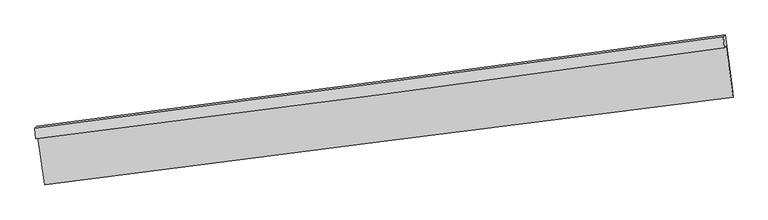
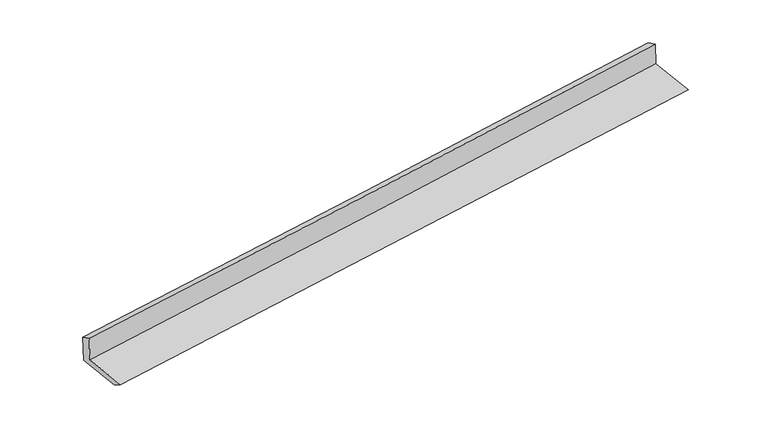
"""IFC4 building model written with IfcOpenShell, lengths in millimetres: proxy geometry."""

from ifc_helpers import new_model, si_unit, frame, origin, place, context, project, spatial, source, transform, mapped, element, save
from ifc_brep_helpers import plane_surface, spline_curve, spline_surface, advanced_brep


def generic_models_a71d73c1(model_context):
    return source(origin(), model_context, "Body", "AdvancedBrep", [
        advanced_brep(
        [(-4754.5056828, -2132.4127979, 1900.9017705), (-4728.2560607, -2106.3820412, 1521.6091977), (4687.6678355, -867.2734569, 2288.4369613), (4664.1734292, -890.5719704, 2627.9181835), (-4768.4846036, -1989.2293503, 1832.7231411), (4648.8140553, -737.501438, 2560.3225656), (-4740.9973195, -1961.9712512, 1435.547036), (4674.9237315, -711.6094604, 2183.0521358), (-4647.3036168, -2633.0245484, 1395.9770525), (4775.5196996, -1432.098182, 2140.5670949), (-4636.9014653, -2760.6821771, 1483.0270975), (4784.5442431, -1561.1219323, 2247.5228152)],
        [
            (0, 1),
            (1, 2, spline_curve(3, [(-4728.2560607, -2106.3820412, 1521.6091977), (-3161.773459492, -1910.110934973, 1645.188638721), (-1596.091580714, -1709.022424959, 1770.694242951), (1542.558839368, -1296.041109115, 2026.281555135), (3115.518259371, -1084.093423988, 2156.385205413), (4687.6678355, -867.2734569, 2288.4369613)], [4, 2, 4], [0.0, 15.585714902623895, 31.2599525135806])),
            (2, 3),
            (3, 0, spline_curve(3, [(4664.1734292, -890.5719704, 2627.9181835), (3091.565958433, -1107.846014404, 2502.482756332), (1518.147335736, -1320.249073212, 2379.014331239), (-1621.421504876, -1734.14115194, 2136.697681656), (-3187.562586059, -1935.685035422, 2017.827303045), (-4754.5056828, -2132.4127979, 1900.9017705)], [4, 2, 4], [0.0, 15.674237610956705, 31.2599525135806])),
            (4, 0),
            (3, 5),
            (5, 4, spline_curve(3, [(4648.8140553, -737.501438, 2560.3225656), (3075.97454686, -953.113581984, 2434.985135686), (1502.555924449, -1165.516641113, 2311.516710221), (-1636.550151658, -1582.723133401, 2069.004620326), (-3202.231081628, -1787.562711491, 1949.939903883), (-4768.4846036, -1989.2293503, 1832.7231411)], [4, 2, 4], [0.0, 15.674185818702213, 31.259849221576474])),
            (6, 4),
            (5, 7),
            (7, 6, spline_curve(3, [(4674.9237315, -711.6094604, 2183.0521358), (3102.77367756, -926.537899125, 2047.752473126), (1529.814257411, -1138.485583948, 1917.648822668), (-1608.835209456, -1555.239274422, 1668.538981355), (-3174.516139721, -1760.078852948, 1549.474265141), (-4740.9973195, -1961.9712512, 1435.547036)], [4, 2, 4], [0.0, 15.674165213545626, 31.25980812763414])),
            (8, 6),
            (7, 9),
            (9, 8, spline_curve(3, [(4775.5196996, -1432.098182, 2140.5670949), (3200.838170566, -1628.895684733, 2006.336559176), (1626.038146628, -1827.660590269, 1877.010257058), (-1514.904293973, -2227.991538828, 1628.868814629), (-3081.045375222, -2429.535422034, 1509.998435849), (-4647.3036168, -2633.0245484, 1395.9770525)], [4, 2, 4], [0.0, 15.6743265874589, 31.260129964076278])),
            (10, 8),
            (9, 11),
            (11, 10, spline_curve(3, [(4784.5442431, -1561.1219323, 2247.5228152), (3209.631154605, -1758.149063637, 2116.638183307), (1634.831130624, -1956.91396937, 1987.311881065), (-1505.649498539, -2356.786957192, 1732.497527737), (-3071.331377275, -2557.875467183, 1606.991923357), (-4636.9014653, -2760.6821771, 1483.0270975)], [4, 2, 4], [0.0, 15.674556798449116, 31.260589085904137])),
            (1, 10),
            (11, 2),
        ],
        [
            spline_surface(3, 3, [[(-4754.5056828, -2132.4127979, 1900.9017705), (-3187.562585977, -1935.685035349, 2017.827302917), (-1621.421504742, -1734.141151865, 2136.697681853), (1518.147335601, -1320.249073288, 2379.01433104), (3091.565958363, -1107.846014291, 2502.48275641), (4664.1734292, -890.5719704, 2627.9181835)], [(-4745.755808742, -2123.735878994, 1774.470912928), (-3178.966210479, -1927.160335155, 1893.614414934), (-1612.978196791, -1725.768242964, 2014.696535567), (1526.284503547, -1312.179751842, 2261.436739094), (3099.550058761, -1099.928484138, 2387.116906162), (4672.004897973, -882.805799252, 2514.75777611)], [(-4737.005934758, -2115.058960106, 1648.040055272), (-3170.369835055, -1918.635634978, 1769.401526868), (-1604.534888788, -1717.395334043, 1892.695389225), (1534.421671546, -1304.110430376, 2143.859147093), (3107.53415914, -1092.010953928, 2271.751055884), (4679.836366727, -875.039628048, 2401.59736869)], [(-4728.2560607, -2106.3820412, 1521.6091977), (-3161.773459557, -1910.110934784, 1645.188638884), (-1596.091580837, -1709.022425142, 1770.694242939), (1542.558839491, -1296.04110893, 2026.281555147), (3115.518259538, -1084.093423775, 2156.385205635), (4687.6678355, -867.2734569, 2288.4369613)]], [4, 4], [4, 2, 4], [0.0, 1.1844922760044982], [0.0, 15.585714902623895, 31.2599525135806]),
            spline_surface(3, 3, [[(-4768.4846036, -1989.2293503, 1832.7231411), (-3202.231081782, -1787.562711737, 1949.939904099), (-1636.550151496, -1582.723133356, 2069.004620207), (1502.555924287, -1165.516641158, 2311.516710341), (3075.974546948, -953.113582161, 2434.985135711), (4648.8140553, -737.501438, 2560.3225656)], [(-4763.824963346, -2036.957166147, 1855.449350883), (-3197.341583194, -1836.936819588, 1972.569037021), (-1631.507269232, -1633.195806191, 2091.568974074), (1507.753061404, -1217.094118534, 2334.015917227), (3081.171684066, -1004.691059536, 2457.484342597), (4653.933846579, -788.524948799, 2582.854438219)], [(-4759.165323054, -2084.684982053, 1878.175560717), (-3192.452084566, -1886.310927497, 1995.198169994), (-1626.464387006, -1683.66847903, 2114.133327985), (1512.950198484, -1268.671595913, 2356.515124155), (3086.368821245, -1056.268536915, 2479.983549525), (4659.053637921, -839.548459601, 2605.386310881)], [(-4754.5056828, -2132.4127979, 1900.9017705), (-3187.562585977, -1935.685035349, 2017.827302917), (-1621.421504742, -1734.141151865, 2136.697681853), (1518.147335601, -1320.249073288, 2379.01433104), (3091.565958363, -1107.846014291, 2502.48275641), (4664.1734292, -890.5719704, 2627.9181835)]], [4, 4], [4, 2, 4], [0.0, 0.5513364538196909], [0.0, 15.58566340287426, 31.259849221576474]),
            spline_surface(3, 3, [[(-4740.9973195, -1961.9712512, 1435.547036), (-3174.516139589, -1760.078852723, 1549.474265027), (-1608.835209303, -1555.239274242, 1668.538981135), (1529.814257256, -1138.485584128, 1917.648822889), (3102.773677303, -926.537898973, 2047.752473377), (4674.9237315, -711.6094604, 2183.0521358)], [(-4750.159747527, -1971.05728426, 1567.939071037), (-3183.754453647, -1769.240139088, 1682.962811388), (-1618.073523361, -1564.400560607, 1802.027527496), (1520.728146273, -1147.495936465, 2048.93811871), (3093.840633867, -935.396460017, 2176.830027501), (4666.220506116, -720.240119581, 2308.808945746)], [(-4759.322175573, -1980.14331724, 1700.331106063), (-3192.992767724, -1778.401425372, 1816.451357738), (-1627.311837438, -1573.561846991, 1935.516073846), (1511.64203527, -1156.506288821, 2180.22741452), (3084.907590384, -944.255021117, 2305.907581587), (4657.517280684, -728.870778819, 2434.565755654)], [(-4768.4846036, -1989.2293503, 1832.7231411), (-3202.231081782, -1787.562711737, 1949.939904099), (-1636.550151496, -1582.723133356, 2069.004620207), (1502.555924287, -1165.516641158, 2311.516710341), (3075.974546948, -953.113582161, 2434.985135711), (4648.8140553, -737.501438, 2560.3225656)]], [4, 4], [4, 2, 4], [0.0, 1.3091532789354263], [0.0, 15.585642914088515, 31.25980812763414]),
            spline_surface(3, 3, [[(-4647.3036168, -2633.0245484, 1395.9770525), (-3081.04537497, -2429.535422182, 1509.998435733), (-1514.904293735, -2227.991538798, 1628.868814669), (1626.038146388, -1827.660590299, 1877.010257018), (3200.838170629, -1628.895684934, 2006.336558918), (4775.5196996, -1432.098182, 2140.5670949)], [(-4678.534851037, -2409.340115977, 1409.167046987), (-3112.202296514, -2206.383232339, 1523.157045484), (-1546.214598954, -2003.740783972, 1642.092203475), (1593.963516648, -1597.935588268, 1890.556445625), (3168.150006188, -1394.776422968, 2020.141863745), (4741.987710235, -1191.935274821, 2154.728775207)], [(-4709.766085263, -2185.655683623, 1422.357041513), (-3143.359218046, -1983.231042566, 1536.315655276), (-1577.524904084, -1779.490029069, 1655.315592329), (1561.888886996, -1368.210586159, 1904.102634281), (3135.461841743, -1160.657160939, 2033.947168551), (4708.455720865, -951.772367579, 2168.890455493)], [(-4740.9973195, -1961.9712512, 1435.547036), (-3174.516139589, -1760.078852723, 1549.474265027), (-1608.835209303, -1555.239274242, 1668.538981135), (1529.814257256, -1138.485584128, 1917.648822889), (3102.773677303, -926.537898973, 2047.752473377), (4674.9237315, -711.6094604, 2183.0521358)]], [4, 4], [4, 2, 4], [0.0, 2.259802219707455], [0.0, 15.585803376617378, 31.260129964076278]),
            spline_surface(3, 3, [[(-4636.9014653, -2760.6821771, 1483.0270975), (-3071.331377243, -2557.875466931, 1606.991923472), (-1505.649498623, -2356.786957389, 1732.497527526), (1634.831130709, -1956.913969171, 1987.311881277), (3209.63115485, -1758.149063806, 2116.638183177), (4784.5442431, -1561.1219323, 2247.5228152)], [(-4640.368849126, -2718.129634208, 1454.010415833), (-3074.569376478, -2515.095452023, 1574.660760892), (-1508.734430311, -2313.855151189, 1697.95462325), (1631.900135951, -1913.829509543, 1950.544673199), (3206.700160093, -1715.064604178, 2079.8709751), (4781.536061916, -1518.114015529, 2211.870908442)], [(-4643.836232974, -2675.577091292, 1424.993734167), (-3077.807375735, -2472.31543709, 1542.329598313), (-1511.819362047, -2270.923344999, 1663.411718946), (1628.969141145, -1870.745049927, 1913.777465095), (3203.769165387, -1671.980144562, 2043.103766995), (4778.527880784, -1475.106098771, 2176.219001658)], [(-4647.3036168, -2633.0245484, 1395.9770525), (-3081.04537497, -2429.535422182, 1509.998435733), (-1514.904293735, -2227.991538798, 1628.868814669), (1626.038146388, -1827.660590299, 1877.010257018), (3200.838170629, -1628.895684934, 2006.336558918), (4775.5196996, -1432.098182, 2140.5670949)]], [4, 4], [4, 2, 4], [0.0, 0.5506986159336192], [0.0, 15.586032287455021, 31.260589085904137]),
            spline_surface(3, 3, [[(-4728.2560607, -2106.3820412, 1521.6091977), (-3161.773459557, -1910.110934784, 1645.188638884), (-1596.091580837, -1709.022425142, 1770.694242939), (1542.558839491, -1296.04110893, 2026.281555147), (3115.518259538, -1084.093423775, 2156.385205635), (4687.6678355, -867.2734569, 2288.4369613)], [(-4697.804528921, -2324.482086512, 1508.748497632), (-3131.626098807, -2126.032445512, 1632.456400413), (-1565.944220087, -1924.94393587, 1757.962004467), (1573.316269909, -1516.332062323, 2013.291663856), (3146.889224656, -1308.778637102, 2143.136198125), (4719.959971381, -1098.556282017, 2274.798912576)], [(-4667.352997079, -2542.582131788, 1495.887797568), (-3101.478737993, -2341.953956203, 1619.724161944), (-1535.796859373, -2140.865446661, 1745.229765998), (1604.073700291, -1736.623015779, 2000.301772568), (3178.260189732, -1533.463850479, 2129.887190687), (4752.252107219, -1329.839107183, 2261.160863924)], [(-4636.9014653, -2760.6821771, 1483.0270975), (-3071.331377243, -2557.875466931, 1606.991923472), (-1505.649498623, -2356.786957389, 1732.497527526), (1634.831130709, -1956.913969171, 1987.311881277), (3209.63115485, -1758.149063806, 2116.638183177), (4784.5442431, -1561.1219323, 2247.5228152)]], [4, 4], [4, 2, 4], [0.0, 2.1713550752643322], [0.0, 15.585839557002716, 31.260202530341907]),
            plane_surface(frame((4705.940499, -1033.36274, 2341.3032927), z_axis=(0.9880278255293843, 0.1333784471214132, 0.07753196646001491), x_axis=(-0.1380453076869498, 0.9887084853617737, 0.05830114921030854))),
            plane_surface(frame((-4712.7414581, -2263.950361, 1594.9642159), z_axis=(-0.9880278255293795, -0.13337844712143584, -0.0775319664600382), x_axis=(-0.06888039637875852, -0.06830608184567247, 0.9952837636461259))),
        ],
        [
            (0, [[1, 2, 3, 4]]),
            (1, [[5, -4, 6, 7]]),
            (2, [[8, -7, 9, 10]]),
            (3, [[11, -10, 12, 13]]),
            (4, [[14, -13, 15, 16]]),
            (5, [[17, -16, 18, -2]]),
            (6, [[-12, -9, -6, -3, -18, -15]]),
            (7, [[-1, -5, -8, -11, -14, -17]]),
        ],
    ),
    ])


if __name__ == "__main__":
    model = new_model("IFC4")
    model_context = context("Model", 3, world=origin())
    ifc_project = project(units=[si_unit("LENGTHUNIT", "METRE", prefix="MILLI")], contexts=[model_context])
    site = spatial("IfcSite", under=ifc_project)
    building = spatial("IfcBuilding", under=site)
    placement = place(None, origin())
    generic_models_shape = generic_models_a71d73c1(model_context)
    element("IfcBuildingElementProxy", 1, Name="Generic Models", at=placement, inside=building, context=model_context, shape_type="MappedRepresentation", body=[
        mapped(generic_models_shape, transform((0.0, 0.0, 0.0), x_axis=(1.0, 0.0, 0.0), y_axis=(0.0, 1.0, 0.0), z_axis=(0.0, 0.0, 1.0))),
    ])
    save(model, "model.ifc")
